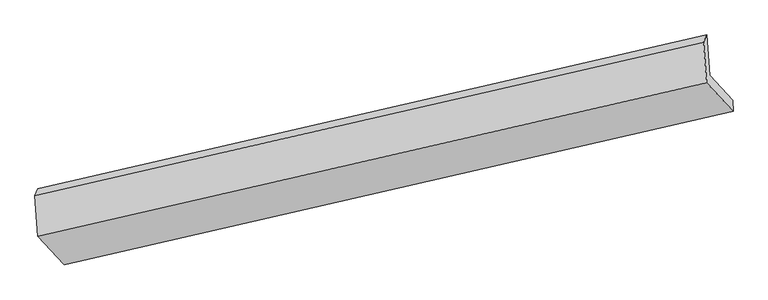
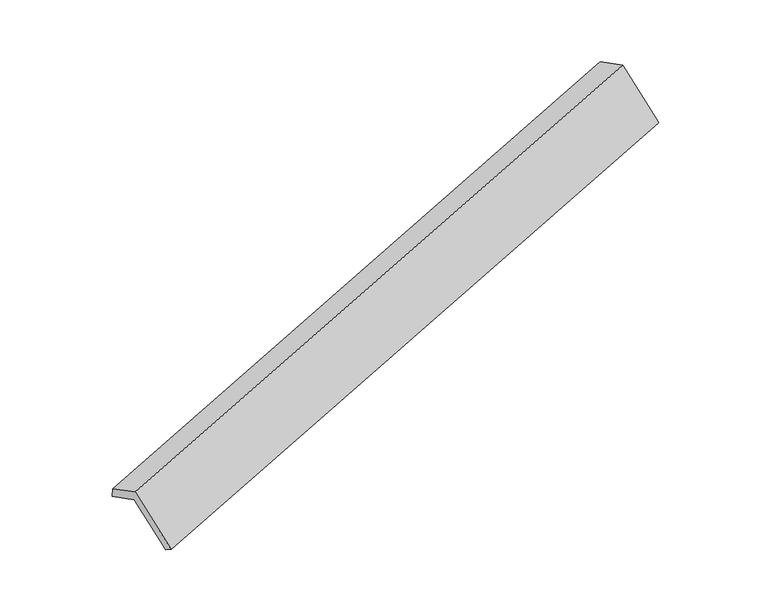
"""IFC4 building model written with IfcOpenShell, lengths in millimetres: proxy geometry."""

from ifc_helpers import new_model, si_unit, origin, place, context, project, spatial, faceted_brep, source, transform, mapped, element, save


def generic_models_cec892fb(model_context):
    return source(origin(), model_context, "Body", "Brep", [
        faceted_brep([(-5747.7433595, -2438.6974717, 632.1543985), (-5957.6519575, -2211.6774102, 1141.6939192), (131.8747964, -815.8082295, 3056.3074332), (341.7833944, -1042.828291, 2546.7679125), (-5984.9656383, -1846.9349294, 967.9346066), (104.2238586, -446.5620743, 2880.4026196), (-6013.0859931, -1911.9370211, 1104.5280704), (76.1035038, -511.564166, 3016.9960834), (-5985.6265402, -2278.6261193, 1279.2147302), (103.9002137, -882.7569386, 3193.8282442), (-5745.2850971, -2538.55987, 695.8014499), (344.2416567, -1142.6906893, 2610.414964)], [[[0, 1, 2, 3]], [[1, 4, 5, 2]], [[4, 6, 7, 5]], [[6, 8, 9, 7]], [[8, 10, 11, 9]], [[10, 0, 3, 11]], [[9, 11, 3, 2, 5, 7]], [[0, 10, 8, 6, 4, 1]]]),
    ])


if __name__ == "__main__":
    model = new_model("IFC4")
    model_context = context("Model", 3, world=origin())
    ifc_project = project(units=[si_unit("LENGTHUNIT", "METRE", prefix="MILLI")], contexts=[model_context])
    site = spatial("IfcSite", under=ifc_project)
    building = spatial("IfcBuilding", under=site)
    placement = place(None, origin())
    generic_models_shape = generic_models_cec892fb(model_context)
    element("IfcBuildingElementProxy", 1, Name="Generic Models", at=placement, inside=building, context=model_context, shape_type="MappedRepresentation", body=[
        mapped(generic_models_shape, transform((0.0, 0.0, 0.0), x_axis=(1.0, 0.0, 0.0), y_axis=(0.0, 1.0, 0.0), z_axis=(0.0, 0.0, 1.0))),
    ])
    save(model, "model.ifc")
